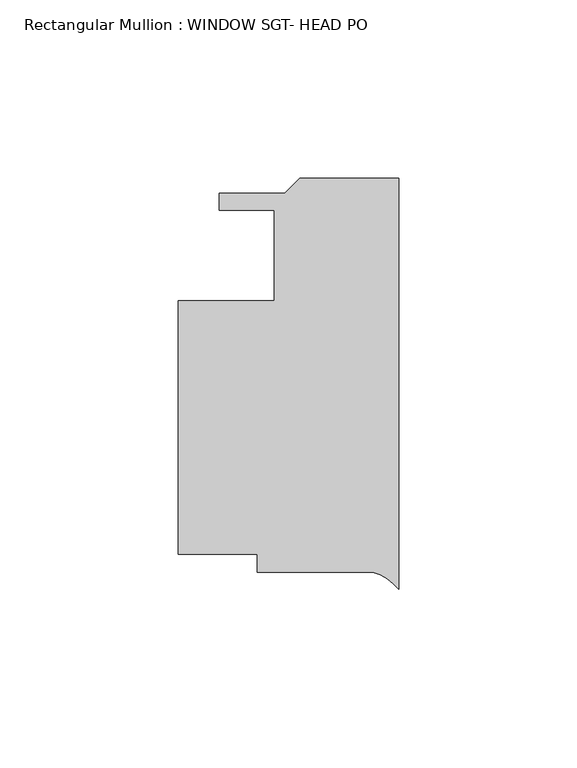
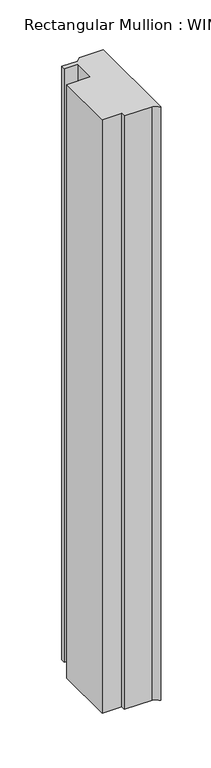
"""IFC4 building model written with IfcOpenShell, lengths in millimetres: member geometry, Rectangular Mullion : WINDOW SGT- HEAD PO."""

from ifc_helpers import new_model, si_unit, point, frame, frame_2d, origin, place, context, project, spatial, polyline, circle_curve, trimmed, segment, composite_curve, outline, extrude, source, transform, mapped, element, save


def rectangular_mullion_window_sgt_head_po_d5cbd37d(model_context):
    return source(origin(), model_context, "Body", "SweptSolid", [
        extrude(outline(composite_curve([segment(polyline([(-7.2766376, -101.5698657), (-39.671625, -101.5698657), (-39.671625, -96.4898657), (-61.896625, -96.4898657), (-61.896625, -25.3698659), (-34.909125, -25.3698659), (-34.909125, 0.0301342), (-50.4102745, 0.0301342), (-50.4102745, 4.7291343), (-32.0277667, 4.7291343), (-27.7605667, 8.9963343), (0.0, 8.9963343), (0.0, -106.3880036)]), True, "CONTINUOUS"), segment(trimmed(circle_curve(frame_2d((-10.8038066, -114.8006793)), 13.6928942), [point((0.0, -106.3880036))], [point((-7.2766376, -101.5698657))], True, "CARTESIAN"), True, "CONTINUOUS")], self_intersect=False)), frame((0.0, 0.0, -727.090875), z_axis=(0.0, 0.0, 1.0), x_axis=(1.0, 0.0, 0.0)), (0.0, 0.0, 1.0), 727.090875),
    ])


if __name__ == "__main__":
    model = new_model("IFC4")
    model_context = context("Model", 3, world=origin())
    ifc_project = project(units=[si_unit("LENGTHUNIT", "METRE", prefix="MILLI")], contexts=[model_context])
    site = spatial("IfcSite", under=ifc_project)
    building = spatial("IfcBuilding", under=site)
    placement = place(None, origin())
    rectangular_mullion_window_sgt_head_po_shape = rectangular_mullion_window_sgt_head_po_d5cbd37d(model_context)
    element("IfcMember", 1, ObjectType="Rectangular Mullion : WINDOW SGT- HEAD PO", at=placement, inside=building, context=model_context, shape_type="MappedRepresentation", body=[
        mapped(rectangular_mullion_window_sgt_head_po_shape, transform((0.0, 0.0, 0.0), x_axis=(1.0, 0.0, 0.0), y_axis=(0.0, 1.0, 0.0), z_axis=(0.0, 0.0, 1.0))),
    ])
    save(model, "model.ifc")
